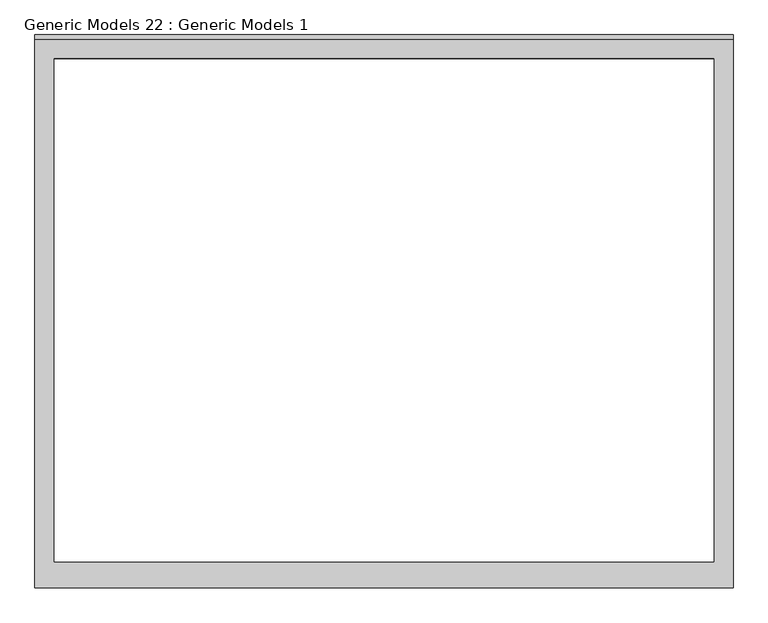
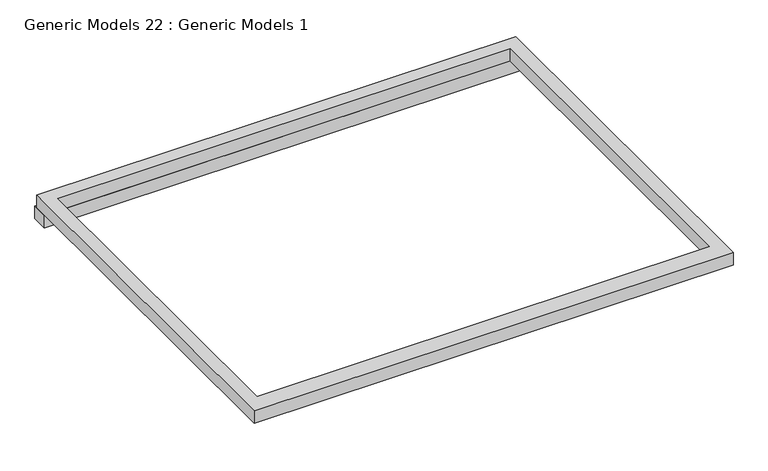
"""IFC4 building model written with IfcOpenShell, lengths in millimetres: proxy geometry, Generic Models 22 : Generic Models 1."""

from ifc_helpers import new_model, si_unit, frame, origin, place, context, project, spatial, polyline, outline, extrude, source, transform, mapped, element, save


def generic_models_22_generic_models_1_4e59736d(model_context):
    return source(origin(), model_context, "Body", "SweptSolid", [
        extrude(outline(polyline([(5622.5920729, 7074.0860849), (5622.5920729, 7012.0360849), (3822.5920729, 7012.0360849), (3822.5920729, 7074.0860849), (5622.5920729, 7074.0860849)])), frame((0.0, 0.0, 8060.0), z_axis=(0.0, 0.0, 1.0), x_axis=(1.0, 0.0, 0.0)), (0.0, 0.0, 1.0), 50.0),
        extrude(outline(polyline([(5622.5920729, 7062.0360849), (5622.5920729, 5647.0360849), (3822.5920729, 5647.0360849), (3822.5920729, 7062.0360849), (5622.5920729, 7062.0360849)]), holes=[polyline([(3872.5920729, 7012.0360849), (3872.5920729, 5714.5357079), (5572.5920729, 5714.5357079), (5572.5920729, 7012.0360849), (3872.5920729, 7012.0360849)])]), frame((0.0, 0.0, 8110.0), z_axis=(0.0, 0.0, 1.0), x_axis=(1.0, 0.0, 0.0)), (0.0, 0.0, 1.0), 50.0),
    ])


if __name__ == "__main__":
    model = new_model("IFC4")
    model_context = context("Model", 3, world=origin())
    ifc_project = project(units=[si_unit("LENGTHUNIT", "METRE", prefix="MILLI")], contexts=[model_context])
    site = spatial("IfcSite", under=ifc_project)
    building = spatial("IfcBuilding", under=site)
    placement = place(None, origin())
    generic_models_22_generic_models_1_shape = generic_models_22_generic_models_1_4e59736d(model_context)
    element("IfcBuildingElementProxy", 1, Name="Generic Models 22 : Generic Models 1", ObjectType="Generic Models 22 : Generic Models 1", at=placement, inside=building, context=model_context, shape_type="MappedRepresentation", body=[
        mapped(generic_models_22_generic_models_1_shape, transform((0.0, 0.0, 0.0), x_axis=(1.0, 0.0, 0.0), y_axis=(0.0, 1.0, 0.0), z_axis=(0.0, 0.0, 1.0))),
    ])
    save(model, "model.ifc")
